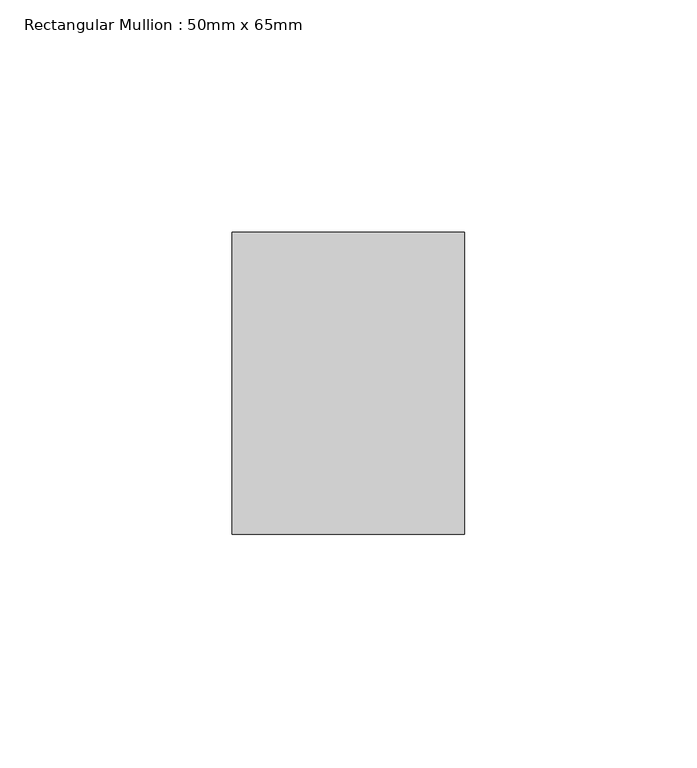
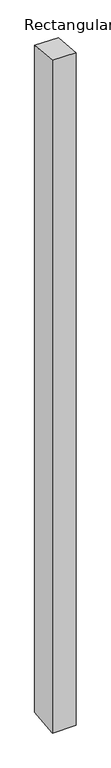
"""IFC4 building model written with IfcOpenShell, lengths in millimetres: member geometry, Rectangular Mullion : 50mm x 65mm."""

from ifc_helpers import new_model, si_unit, origin, place, context, project, spatial, faceted_brep, source, transform, mapped, element, save


def rectangular_mullion_50mm_x_65mm_0b8eac50(model_context):
    return source(origin(), model_context, "Body", "Brep", [
        faceted_brep([(-25.0, 32.5, -2.991161), (25.0, 32.5, -2.991151), (25.0, 32.5, -1496.628376), (-25.0, 32.5, -1496.6283647), (-25.0, -32.5, 2.991151), (-25.0, -32.5, -1503.3717285), (25.0, -32.5, 2.991161), (25.0, -32.5, -1503.3717397)], [[[0, 1, 2, 3]], [[4, 0, 3, 5]], [[6, 4, 5, 7]], [[1, 6, 7, 2]], [[1, 0, 4, 6]], [[2, 7, 5, 3]]]),
    ])


if __name__ == "__main__":
    model = new_model("IFC4")
    model_context = context("Model", 3, world=origin())
    ifc_project = project(units=[si_unit("LENGTHUNIT", "METRE", prefix="MILLI")], contexts=[model_context])
    site = spatial("IfcSite", under=ifc_project)
    building = spatial("IfcBuilding", under=site)
    placement = place(None, origin())
    rectangular_mullion_50mm_x_65mm_shape = rectangular_mullion_50mm_x_65mm_0b8eac50(model_context)
    element("IfcMember", 1, ObjectType="Rectangular Mullion : 50mm x 65mm", at=placement, inside=building, context=model_context, shape_type="MappedRepresentation", body=[
        mapped(rectangular_mullion_50mm_x_65mm_shape, transform((0.0, 0.0, 0.0), x_axis=(1.0, 0.0, 0.0), y_axis=(0.0, 1.0, 0.0), z_axis=(0.0, 0.0, 1.0))),
    ])
    save(model, "model.ifc")
